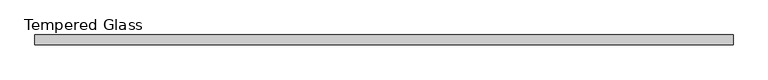
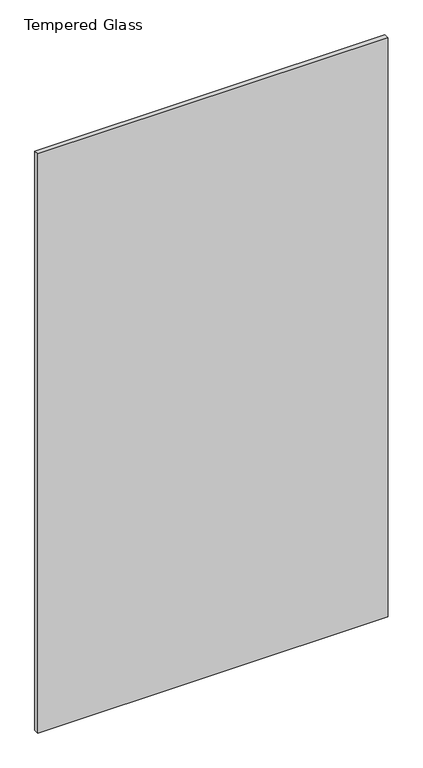
"""IFC4 building model written with IfcOpenShell, lengths in millimetres: plate geometry, Tempered Glass."""

import ifcopenshell
import ifcopenshell.guid

model = None  # the IFC model being written
_history = None  # IfcOwnerHistory: only IFC2X3 demands one
_inside = {}  # id of a spatial element -> (the spatial element, [elements in it])
_under = {}  # id of a project, library or spatial element -> (it, [spatial elements below it])
_declared = {}  # id of a project -> (the project, [libraries it declares])
_typed = {}  # id of a type object -> (the type object, [elements of that type])
_made_of = {}  # id of a material, layer set ... -> (it, [elements and type objects made of it])


def new_model(schema):
    """Start an empty IFC model of exactly this schema.

    Asked for "IFC4X3", IfcOpenShell would pick the latest addendum, in which some entities
    have other attributes; the version numbers below select the first issue.
    IFC2X3 requires an IfcOwnerHistory on every rooted entity: one is made here for all.
    """
    global model, _history
    if schema == "IFC4X3":
        model = ifcopenshell.file(schema_version=(4, 3, 0, 0))
    else:
        model = ifcopenshell.file(schema=schema)
    _inside.clear()
    _under.clear()
    _declared.clear()
    _typed.clear()
    _made_of.clear()
    _history = None
    if model.schema == "IFC2X3":
        org = make("IfcOrganization", Name="unknown")
        user = make(
            "IfcPersonAndOrganization",
            ThePerson=make("IfcPerson", FamilyName="unknown"),
            TheOrganization=org,
        )
        app = make(
            "IfcApplication",
            ApplicationDeveloper=org,
            Version="unknown",
            ApplicationFullName="unknown",
            ApplicationIdentifier="unknown",
        )
        _history = make(
            "IfcOwnerHistory",
            OwningUser=user,
            OwningApplication=app,
            ChangeAction="ADDED",
            CreationDate=0,
        )
    return model


def make(cls, **values):
    """One entity of the class cls with the attributes given. An attribute that is None is left unset."""
    return model.create_entity(
        cls, **{name: value for name, value in values.items() if value is not None}
    )


def rooted(cls, **values):
    """An entity with a GlobalId (a new one), such as an element, a storey or a relation."""
    return make(cls, GlobalId=ifcopenshell.guid.new(), OwnerHistory=_history, **values)


def si_unit(unit_type, name, prefix=None):
    """IfcSIUnit, for example si_unit("LENGTHUNIT", "METRE", prefix="MILLI")."""
    return make("IfcSIUnit", UnitType=unit_type, Prefix=prefix, Name=name)


def assignment(units):
    """IfcUnitAssignment: the units of a project."""
    return None if units is None else make("IfcUnitAssignment", Units=units)


def point(xyz):
    """IfcCartesianPoint."""
    return None if xyz is None else make("IfcCartesianPoint", Coordinates=xyz)


def direction(xyz):
    """IfcDirection."""
    return None if xyz is None else make("IfcDirection", DirectionRatios=xyz)


def frame(location, z_axis=None, x_axis=None):
    """IfcAxis2Placement3D, a coordinate frame: its origin and axes. An axis left out is left unset."""
    return make(
        "IfcAxis2Placement3D",
        Location=point(location),
        Axis=direction(z_axis),
        RefDirection=direction(x_axis),
    )


def origin():
    """The frame at (0, 0, 0) with its axes left unset."""
    return frame((0.0, 0.0, 0.0))


def origin_with_axes():
    """The frame at (0, 0, 0) with the z axis (0, 0, 1) and the x axis (1, 0, 0) written out."""
    return frame((0.0, 0.0, 0.0), z_axis=(0.0, 0.0, 1.0), x_axis=(1.0, 0.0, 0.0))


def place(relative_to, where):
    """IfcLocalPlacement: puts the frame where relative to a parent placement (None: the world)."""
    return make(
        "IfcLocalPlacement", PlacementRelTo=relative_to, RelativePlacement=where
    )


def context(
    kind, dimensions, precision=None, world=None, true_north=None, identifier=None
):
    """IfcGeometricRepresentationContext, for example the 3D "Model" context."""
    return make(
        "IfcGeometricRepresentationContext",
        ContextIdentifier=identifier,
        ContextType=kind,
        CoordinateSpaceDimension=dimensions,
        Precision=precision,
        WorldCoordinateSystem=world,
        TrueNorth=true_north,
    )


def project(units=None, contexts=None):
    """IfcProject with its units and contexts."""
    return rooted(
        "IfcProject",
        Name="project",
        RepresentationContexts=contexts,
        UnitsInContext=assignment(units),
    )


def spatial(cls, under=None, at=None, **own):
    """A site, building, storey or space (cls), placed at a placement, below another one or the project."""
    s = rooted(cls, ObjectPlacement=at, **own)
    if under is not None:
        _under.setdefault(under.id(), (under, []))[1].append(s)
    return s


def polyline(points):
    """IfcPolyline through the points."""
    return make("IfcPolyline", Points=[point(p) for p in points])


def outline(outer, holes=None, kind="AREA"):
    """IfcArbitraryClosedProfileDef: a profile drawn as a closed curve; with holes, ...WithVoids."""
    if holes is None:
        return make("IfcArbitraryClosedProfileDef", ProfileType=kind, OuterCurve=outer)
    return make(
        "IfcArbitraryProfileDefWithVoids",
        ProfileType=kind,
        OuterCurve=outer,
        InnerCurves=holes,
    )


def extrude(swept, where, along, depth):
    """IfcExtrudedAreaSolid: the profile swept, set in the frame where, extruded along a direction by depth."""
    return make(
        "IfcExtrudedAreaSolid",
        SweptArea=swept,
        Position=where,
        ExtrudedDirection=direction(along),
        Depth=depth,
    )


def shape(context_of_items, identifier, shape_type, items):
    """IfcShapeRepresentation: the items that make up one representation, for example the "Body"."""
    return make(
        "IfcShapeRepresentation",
        ContextOfItems=context_of_items,
        RepresentationIdentifier=identifier,
        RepresentationType=shape_type,
        Items=items,
    )


def source(mapping_origin, context_of_items, identifier, shape_type, items):
    """IfcRepresentationMap: a shape defined once, which mapped items show again and again."""
    return make(
        "IfcRepresentationMap",
        MappingOrigin=mapping_origin,
        MappedRepresentation=shape(context_of_items, identifier, shape_type, items),
    )


def transform(
    local_origin,
    x_axis=None,
    y_axis=None,
    z_axis=None,
    scale=None,
    scale2=None,
    scale3=None,
    uniform=True,
):
    """IfcCartesianTransformationOperator3D, or its non-uniform kind. x_axis, y_axis, z_axis: its Axis1, 2, 3."""
    if uniform:
        return make(
            "IfcCartesianTransformationOperator3D",
            Axis1=direction(x_axis),
            Axis2=direction(y_axis),
            LocalOrigin=point(local_origin),
            Scale=scale,
            Axis3=direction(z_axis),
        )
    return make(
        "IfcCartesianTransformationOperator3DnonUniform",
        Axis1=direction(x_axis),
        Axis2=direction(y_axis),
        LocalOrigin=point(local_origin),
        Scale=scale,
        Axis3=direction(z_axis),
        Scale2=scale2,
        Scale3=scale3,
    )


def mapped(mapping_source, mapping_target):
    """IfcMappedItem: shows the shape of a source again, moved by a transform."""
    return make(
        "IfcMappedItem", MappingSource=mapping_source, MappingTarget=mapping_target
    )


def made_of(thing, what):
    """Note that an element or type object is made of a material, layer set ...; save() writes the relation."""
    if what is not None:
        _made_of.setdefault(what.id(), (what, []))[1].append(thing)
    return thing


def element(
    cls,
    number,
    at=None,
    inside=None,
    cuts=None,
    type_object=None,
    material=None,
    context=None,
    identifier="Body",
    shape_type=None,
    held_by="IfcProductDefinitionShape",
    body=None,
    shapes=None,
    **own,
):
    """One element of the class cls, such as IfcWall. Its Tag is "e" and its number.

    at: its placement. inside: the storey or other place that contains it. cuts: it is an
    opening in that element (IfcRelVoidsElement). A single representation is given by context,
    identifier, shape_type and body (its items); several are given by shapes. held_by: the class
    of the entity that holds the representations. save() writes the other relations.
    """
    e = rooted(cls, Tag="e%d" % number, ObjectPlacement=at, **own)
    if body is not None:
        shapes = [shape(context, identifier, shape_type, body)]
    if shapes is not None:
        e.Representation = make(held_by, Representations=shapes)
    if inside is not None:
        _inside.setdefault(inside.id(), (inside, []))[1].append(e)
    if cuts is not None:
        rooted(
            "IfcRelVoidsElement", RelatingBuildingElement=cuts, RelatedOpeningElement=e
        )
    if type_object is not None:
        _typed.setdefault(type_object.id(), (type_object, []))[1].append(e)
    return made_of(e, material)


def aggregate(whole, parts):
    """IfcRelAggregates: a whole, such as a stair, and the parts it consists of."""
    return rooted("IfcRelAggregates", RelatingObject=whole, RelatedObjects=parts)


def save(model, path):
    """Write the relations noted so far, then the file.

    IfcRelAggregates (storeys below a building ...), IfcRelContainedInSpatialStructure (elements
    in a storey), IfcRelDefinesByType, IfcRelAssociatesMaterial and IfcRelDeclares: one each for
    every whole, place, type object, material and project.
    """
    for whole, parts in _under.values():
        aggregate(whole, parts)
    for where, things in _inside.values():
        rooted(
            "IfcRelContainedInSpatialStructure",
            RelatedElements=things,
            RelatingStructure=where,
        )
    for kind, things in _typed.values():
        rooted("IfcRelDefinesByType", RelatedObjects=things, RelatingType=kind)
    for what, things in _made_of.values():
        rooted("IfcRelAssociatesMaterial", RelatedObjects=things, RelatingMaterial=what)
    for by, libraries in _declared.values():
        rooted("IfcRelDeclares", RelatingContext=by, RelatedDefinitions=libraries)
    model.write(path)


def tempered_glass_fcb7024a(model_context):
    return source(origin(), model_context, "Body", "SweptSolid", [
        extrude(outline(polyline([(670.7187499, -9.525), (-670.7187499, -9.525), (-670.7187499, 9.525), (670.7187499, 9.525), (670.7187499, -9.525)])), origin_with_axes(), (0.0, 0.0, 1.0), 2343.15),
    ])


if __name__ == "__main__":
    model = new_model("IFC4")
    model_context = context("Model", 3, world=origin())
    ifc_project = project(units=[si_unit("LENGTHUNIT", "METRE", prefix="MILLI")], contexts=[model_context])
    site = spatial("IfcSite", under=ifc_project)
    building = spatial("IfcBuilding", under=site)
    placement = place(None, origin())
    tempered_glass_shape = tempered_glass_fcb7024a(model_context)
    element("IfcPlate", 1, ObjectType="Tempered Glass", at=placement, inside=building, context=model_context, shape_type="MappedRepresentation", body=[
        mapped(tempered_glass_shape, transform((0.0, 0.0, 0.0), x_axis=(1.0, 0.0, 0.0), y_axis=(0.0, 1.0, 0.0), z_axis=(0.0, 0.0, 1.0))),
    ])
    save(model, "model.ifc")
